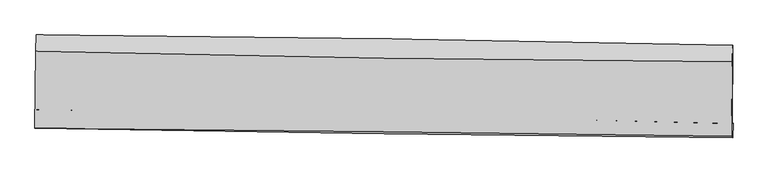
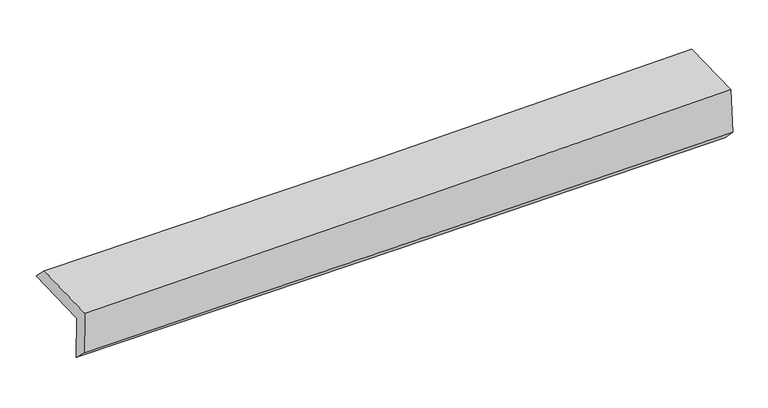
"""IFC4 building model written with IfcOpenShell, lengths in millimetres: proxy geometry."""

from ifc_helpers import new_model, si_unit, frame, origin, place, context, project, spatial, source, transform, mapped, element, save
from ifc_brep_helpers import plane_surface, spline_curve, spline_surface, advanced_brep


def generic_models_ca85d9b3(model_context):
    return source(origin(), model_context, "Body", "AdvancedBrep", [
        advanced_brep(
        [(-3026.7878813, -1764.8264551, 1957.1650144), (-3020.07672, -1095.0313224, 1972.31231), (3012.7768862, -1185.5871949, 2108.0895919), (3005.7798135, -1862.8051411, 2102.2495344), (-3017.5192065, -1741.6391297, 1552.9355751), (3014.8287458, -1862.0762224, 1697.2755043), (-3022.1001501, -1891.131785, 1687.6509188), (3010.4859995, -1986.6902303, 1833.0497596), (-3031.3104209, -1904.2475774, 2094.0122149), (3001.466541, -1970.5599664, 2244.6512909), (-3024.636021, -1238.1213589, 2109.0765386), (3007.9628796, -1328.8889101, 2256.1627403)],
        [
            (0, 1),
            (1, 2, spline_curve(3, [(-3020.07672, -1095.0313224, 1972.31231), (-2014.20416033, -1103.443653232, 1980.959718193), (-1008.537318579, -1115.19598449, 1996.597932139), (1002.413895272, -1145.381083102, 2041.856623375), (2007.698255752, -1163.814042606, 2071.477503441), (3012.7768862, -1185.5871949, 2108.0895919)], [4, 2, 4], [0.0, 9.900286854341195, 19.80085892372195])),
            (2, 3),
            (3, 0, spline_curve(3, [(3005.7798135, -1862.8051411, 2102.2495344), (2000.788672758, -1829.189176631, 2067.301515943), (995.571883159, -1804.216310878, 2037.73703367), (-1015.284027838, -1771.557246749, 1989.375836933), (-2020.923136916, -1763.870550723, 1970.578812736), (-3026.7878813, -1764.8264551, 1957.1650144)], [4, 2, 4], [0.0, 9.900572069380756, 19.80085892372195])),
            (4, 0),
            (3, 5),
            (5, 4, spline_curve(3, [(3014.8287458, -1862.0762224, 1697.2755043), (2009.799355567, -1832.203618384, 1662.276065701), (1004.581753884, -1807.23081784, 1632.747924789), (-1006.200907419, -1767.085402621, 1584.634930239), (-2011.765956834, -1751.912505372, 1566.04976178), (-3017.5192065, -1741.6391297, 1552.9355751)], [4, 2, 4], [0.0, 9.90074203549249, 19.801198851049044])),
            (6, 4),
            (5, 7),
            (7, 6, spline_curve(3, [(3010.4859995, -1986.6902303, 1833.0497596), (2004.851684491, -1978.94757096, 1814.713553484), (999.311774945, -1967.112863576, 1793.428663393), (-1011.550269736, -1935.259813041, 1744.962213526), (-2016.872409708, -1915.241704805, 1717.780823038), (-3022.1001501, -1891.131785, 1687.6509188)], [4, 2, 4], [0.0, 9.900368822417716, 19.800452435650996])),
            (8, 6),
            (7, 9),
            (9, 8, spline_curve(3, [(3001.466541, -1970.5599664, 2244.6512909), (1996.085213908, -1958.338316263, 2217.09478423), (990.655894667, -1946.701387664, 2190.763111402), (-1020.269761942, -1924.597291927, 2140.550156675), (-2025.766096788, -1914.130090678, 2116.668804146), (-3031.3104209, -1904.2475774, 2094.0122149)], [4, 2, 4], [0.0, 9.900164519408735, 19.80004383551858])),
            (10, 8),
            (9, 11),
            (11, 10, spline_curve(3, [(3007.9628796, -1328.8889101, 2256.1627403), (2002.518143462, -1324.075047799, 2227.954291401), (997.071959, -1314.103970689, 2201.592733461), (-1013.79434133, -1283.847823126, 2152.564106156), (-2019.214457221, -1263.563049697, 2129.896930006), (-3024.636021, -1238.1213589, 2109.0765386)], [4, 2, 4], [0.0, 9.900178844254473, 19.800072484797386])),
            (1, 10),
            (11, 2),
        ],
        [
            spline_surface(3, 3, [[(-3026.7878813, -1764.8264551, 1957.1650144), (-2020.923136856, -1763.870550625, 1970.578812804), (-1015.284027987, -1771.557246802, 1989.375837054), (995.571883308, -1804.216310825, 2037.73703355), (2000.78867265, -1829.189176658, 2067.301515963), (3005.7798135, -1862.8051411, 2102.2495344)], [(-3024.550827517, -1541.561410876, 1962.214112935), (-2018.683478016, -1543.728251522, 1974.03911461), (-1013.03512485, -1552.770159426, 1991.783202108), (997.852553981, -1584.604568238, 2039.110230158), (2003.091866943, -1607.397465291, 2068.693511752), (3008.112171038, -1637.065825717, 2104.196220223)], [(-3022.313773783, -1318.296366624, 1967.263211465), (-2016.443819227, -1323.58595239, 1977.49941641), (-1010.786221742, -1333.983071977, 1994.190567124), (1000.133224624, -1364.992825577, 2040.483426728), (2005.395061324, -1385.605753873, 2070.085507571), (3010.444528662, -1411.326510283, 2106.142906077)], [(-3020.07672, -1095.0313224, 1972.31231), (-2014.204160386, -1103.443653287, 1980.959718217), (-1008.537318604, -1115.195984601, 1996.597932178), (1002.413895298, -1145.381082991, 2041.856623336), (2007.698255618, -1163.814042506, 2071.477503361), (3012.7768862, -1185.5871949, 2108.0895919)]], [4, 4], [4, 2, 4], [0.0, 2.1576700423622466], [0.0, 9.900286854341195, 19.80085892372195]),
            spline_surface(3, 3, [[(-3017.5192065, -1741.6391297, 1552.9355751), (-2011.765956861, -1751.912505473, 1566.049761617), (-1006.200907571, -1767.085402604, 1584.634930267), (1004.581754037, -1807.230817858, 1632.747924761), (2009.799355519, -1832.203618314, 1662.276065865), (3014.8287458, -1862.0762224, 1697.2755043)], [(-3020.608764791, -1749.368238154, 1687.678721538), (-2014.818350217, -1755.898520511, 1700.892778684), (-1009.228614407, -1768.576017318, 1719.54856585), (1001.578463763, -1806.225982162, 1767.744294345), (2006.795794569, -1831.198804421, 1797.284549247), (3011.81243504, -1862.319195293, 1832.266847683)], [(-3023.698323009, -1757.097346646, 1822.421867962), (-2017.8707435, -1759.884535587, 1835.735795737), (-1012.256321151, -1770.066632088, 1854.46220147), (998.575173581, -1805.221146521, 1902.740663965), (2003.792233599, -1830.19399055, 1932.29303258), (3008.79612426, -1862.562168207, 1967.258191017)], [(-3026.7878813, -1764.8264551, 1957.1650144), (-2020.923136856, -1763.870550625, 1970.578812804), (-1015.284027987, -1771.557246802, 1989.375837054), (995.571883308, -1804.216310825, 2037.73703355), (2000.78867265, -1829.189176658, 2067.301515963), (3005.7798135, -1862.8051411, 2102.2495344)]], [4, 4], [4, 2, 4], [0.0, 1.328630983096949], [0.0, 9.900456815556554, 19.801198851049044]),
            spline_surface(3, 3, [[(-3022.1001501, -1891.131785, 1687.6509188), (-2016.872409651, -1915.241704918, 1717.780823147), (-1011.550269608, -1935.25981288, 1744.962213382), (999.311774817, -1967.112863737, 1793.428663537), (2004.851684645, -1978.947570888, 1814.713553569), (3010.4859995, -1986.6902303, 1833.0497596)], [(-3020.573168876, -1841.300899907, 1642.745804234), (-2015.170258697, -1860.798638443, 1667.203802638), (-1009.767148929, -1879.201676128, 1691.519785688), (1001.068434557, -1913.81884845, 1739.868417289), (2006.500908292, -1930.032920034, 1763.901057659), (3011.933581623, -1945.152227671, 1787.791674492)], [(-3019.046187724, -1791.470014793, 1597.840689666), (-2013.468107815, -1806.355571947, 1616.626782126), (-1007.98402825, -1823.143539356, 1638.077357961), (1002.825094297, -1860.524833145, 1686.308171009), (2008.150131872, -1881.118269168, 1713.088561774), (3013.381163677, -1903.614225029, 1742.533589408)], [(-3017.5192065, -1741.6391297, 1552.9355751), (-2011.765956861, -1751.912505473, 1566.049761617), (-1006.200907571, -1767.085402604, 1584.634930267), (1004.581754037, -1807.230817858, 1632.747924761), (2009.799355519, -1832.203618314, 1662.276065865), (3014.8287458, -1862.0762224, 1697.2755043)]], [4, 4], [4, 2, 4], [0.0, 0.7531293012606746], [0.0, 9.90008361323328, 19.800452435650996]),
            spline_surface(3, 3, [[(-3031.3104209, -1904.2475774, 2094.0122149), (-2025.766096805, -1914.130090725, 2116.668804211), (-1020.269762004, -1924.597291801, 2140.550156652), (990.655894729, -1946.70138779, 2190.763111424), (1996.085213892, -1958.338316358, 2217.094784302), (3001.466541, -1970.5599664, 2244.6512909)], [(-3028.24033065, -1899.875646597, 1958.558449553), (-2022.801534438, -1914.500628786, 1983.706143876), (-1017.363264526, -1928.151465498, 2008.687508868), (993.541188104, -1953.505213109, 2058.318295434), (1999.007370791, -1965.208067847, 2082.967707403), (3004.473027147, -1975.936721012, 2107.450780479)], [(-3025.17024035, -1895.503715803, 1823.104684147), (-2019.836972018, -1914.871166857, 1850.743483482), (-1014.456767086, -1931.705639184, 1876.824861167), (996.426481442, -1960.309038418, 1925.873479527), (2001.929527747, -1972.0778194, 1948.840630468), (3007.479513353, -1981.313475688, 1970.250270021)], [(-3022.1001501, -1891.131785, 1687.6509188), (-2016.872409651, -1915.241704918, 1717.780823147), (-1011.550269608, -1935.25981288, 1744.962213382), (999.311774817, -1967.112863737, 1793.428663537), (2004.851684645, -1978.947570888, 1814.713553569), (3010.4859995, -1986.6902303, 1833.0497596)]], [4, 4], [4, 2, 4], [0.0, 1.3020362642759364], [0.0, 9.899879316109844, 19.80004383551858]),
            spline_surface(3, 3, [[(-3024.636021, -1238.1213589, 2109.0765386), (-2019.214457091, -1263.563049735, 2129.896930023), (-1013.794341317, -1283.84782315, 2152.564106074), (997.071958987, -1314.103970665, 2201.592733543), (2002.518143372, -1324.075047685, 2227.954291438), (3007.9628796, -1328.8889101, 2256.1627403)], [(-3026.860820949, -1460.163431726, 2104.055097341), (-2021.398336979, -1480.418730057, 2125.487554727), (-1015.952814875, -1497.430979378, 2148.55945628), (994.933270905, -1524.969776385, 2197.982859516), (2000.373833543, -1535.496137264, 2224.33445573), (3005.797433398, -1542.779262221, 2252.325590505)], [(-3029.085620951, -1682.205504574, 2099.033656159), (-2023.582216918, -1697.274410403, 2121.078179507), (-1018.111288445, -1711.014135572, 2144.554806447), (992.794582811, -1735.83558207, 2194.372985451), (1998.229523721, -1746.91722678, 2220.714620009), (3003.631987202, -1756.669614279, 2248.488440695)], [(-3031.3104209, -1904.2475774, 2094.0122149), (-2025.766096805, -1914.130090725, 2116.668804211), (-1020.269762004, -1924.597291801, 2140.550156652), (990.655894729, -1946.70138779, 2190.763111424), (1996.085213892, -1958.338316358, 2217.094784302), (3001.466541, -1970.5599664, 2244.6512909)]], [4, 4], [4, 2, 4], [0.0, 2.089266377103522], [0.0, 9.899893640542913, 19.800072484797386]),
            spline_surface(3, 3, [[(-3020.07672, -1095.0313224, 1972.31231), (-2014.204160386, -1103.443653287, 1980.959718217), (-1008.537318604, -1115.195984601, 1996.597932178), (1002.413895298, -1145.381082991, 2041.856623336), (2007.698255618, -1163.814042506, 2071.477503361), (3012.7768862, -1185.5871949, 2108.0895919)], [(-3021.596487017, -1142.72800124, 2017.900386198), (-2015.874259305, -1156.816785442, 2030.605455484), (-1010.289659504, -1171.413264089, 2048.586656814), (1000.633249865, -1201.622045521, 2095.101993408), (2005.971551557, -1217.234377552, 2123.636432705), (3011.172217355, -1233.354433287, 2157.447308019)], [(-3023.116253983, -1190.42468006, 2063.488462402), (-2017.544358173, -1210.189917579, 2080.251192756), (-1012.042000417, -1227.630543661, 2100.575381439), (998.85260442, -1257.863008135, 2148.34736347), (2004.244847432, -1270.654712639, 2175.795362094), (3009.567548445, -1281.121671713, 2206.805024181)], [(-3024.636021, -1238.1213589, 2109.0765386), (-2019.214457091, -1263.563049735, 2129.896930023), (-1013.794341317, -1283.84782315, 2152.564106074), (997.071958987, -1314.103970665, 2201.592733543), (2002.518143372, -1324.075047685, 2227.954291438), (3007.9628796, -1328.8889101, 2256.1627403)]], [4, 4], [4, 2, 4], [0.0, 0.7581545500452429], [0.0, 9.89999745332254, 19.800280113347355]),
            plane_surface(frame((3008.8834776, -1699.4346109, 2040.2464036), z_axis=(0.9996955406972274, -0.010521406032532571, 0.022318734847138172), x_axis=(0.021891028173231096, -0.03914958557059848, -0.9989935399366551))),
            plane_surface(frame((-3023.7384, -1605.8329381, 1895.5254286), z_axis=(-0.9996955406972241, 0.01052140603181411, -0.022318734847623586), x_axis=(-0.010016658731589792, -0.9996942278664724, -0.02260790389028481))),
        ],
        [
            (0, [[1, 2, 3, 4]]),
            (1, [[5, -4, 6, 7]]),
            (2, [[8, -7, 9, 10]]),
            (3, [[11, -10, 12, 13]]),
            (4, [[14, -13, 15, 16]]),
            (5, [[17, -16, 18, -2]]),
            (6, [[-12, -9, -6, -3, -18, -15]]),
            (7, [[-1, -5, -8, -11, -14, -17]]),
        ],
    ),
    ])


if __name__ == "__main__":
    model = new_model("IFC4")
    model_context = context("Model", 3, world=origin())
    ifc_project = project(units=[si_unit("LENGTHUNIT", "METRE", prefix="MILLI")], contexts=[model_context])
    site = spatial("IfcSite", under=ifc_project)
    building = spatial("IfcBuilding", under=site)
    placement = place(None, origin())
    generic_models_shape = generic_models_ca85d9b3(model_context)
    element("IfcBuildingElementProxy", 1, Name="Generic Models", at=placement, inside=building, context=model_context, shape_type="MappedRepresentation", body=[
        mapped(generic_models_shape, transform((0.0, 0.0, 0.0), x_axis=(1.0, 0.0, 0.0), y_axis=(0.0, 1.0, 0.0), z_axis=(0.0, 0.0, 1.0))),
    ])
    save(model, "model.ifc")
